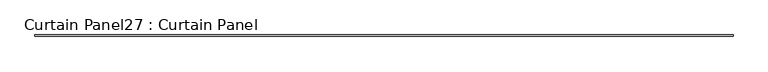
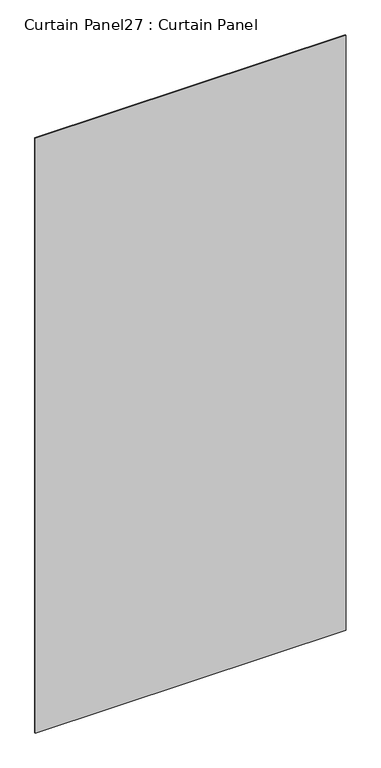
"""IFC4 building model written with IfcOpenShell, lengths in millimetres: plate geometry, Curtain Panel27 : Curtain Panel."""

from ifc_helpers import new_model, si_unit, frame, origin, place, context, project, spatial, polyline, outline, extrude, source, transform, mapped, element, save


def curtain_panel27_curtain_panel_76bf0248(model_context):
    return source(origin(), model_context, "Body", "SweptSolid", [
        extrude(outline(polyline([(142537.0074289, 2970.258133), (139662.0575504, 2970.258133), (139662.0575504, 2976.608133), (142537.0074289, 2976.608133), (142537.0074289, 2970.258133)])), frame((0.0, 0.0, 1376.3873491), z_axis=(0.0, 0.0, 1.0), x_axis=(1.0, 0.0, 0.0)), (0.0, 0.0, 1.0), 5813.41103),
    ])


if __name__ == "__main__":
    model = new_model("IFC4")
    model_context = context("Model", 3, world=origin())
    ifc_project = project(units=[si_unit("LENGTHUNIT", "METRE", prefix="MILLI")], contexts=[model_context])
    site = spatial("IfcSite", under=ifc_project)
    building = spatial("IfcBuilding", under=site)
    placement = place(None, origin())
    curtain_panel27_curtain_panel_shape = curtain_panel27_curtain_panel_76bf0248(model_context)
    element("IfcPlate", 1, ObjectType="Curtain Panel27 : Curtain Panel", at=placement, inside=building, context=model_context, shape_type="MappedRepresentation", body=[
        mapped(curtain_panel27_curtain_panel_shape, transform((0.0, 0.0, 0.0), x_axis=(1.0, 0.0, 0.0), y_axis=(0.0, 1.0, 0.0), z_axis=(0.0, 0.0, 1.0))),
    ])
    save(model, "model.ifc")
